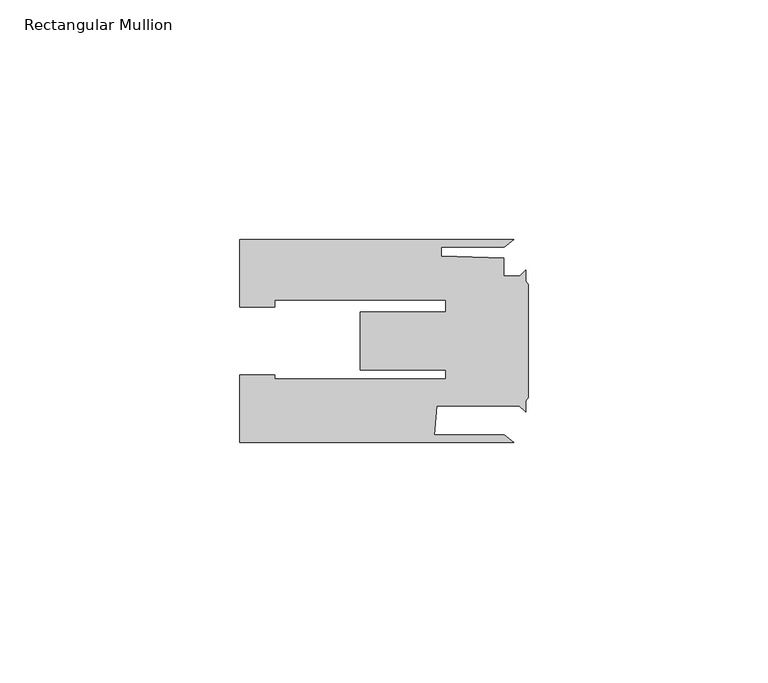
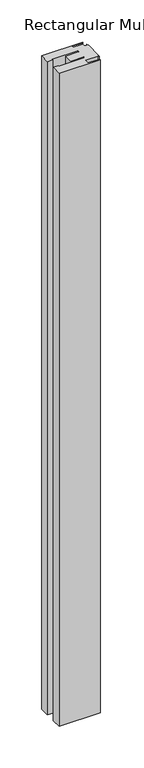
"""IFC4 building model written with IfcOpenShell, lengths in millimetres: member geometry, Rectangular Mullion."""

from ifc_helpers import new_model, si_unit, frame, origin, place, context, project, spatial, polyline, outline, extrude, source, transform, mapped, element, save


def rectangular_mullion_386d2b96(model_context):
    return source(origin(), model_context, "Body", "SweptSolid", [
        extrude(outline(polyline([(-4.9978403, -19.6), (-3.0070335, -21.1001806), (-60.0000904, -21.1001806), (-60.0000904, -7.1002443), (-52.8000904, -7.1002443), (-52.8000904, -7.9321779), (-17.1741363, -7.9321779), (-17.1741363, -5.9999784), (-35.0, -5.9999784), (-35.0, 6.0000216), (-17.1741363, 6.0000216), (-17.1741363, 8.4998194), (-52.8000904, 8.4998194), (-52.8000904, 7.100122), (-60.0000904, 7.100122), (-60.0000904, 21.0998194), (-3.0009095, 21.0998194), (-4.9914767, 19.5998194), (-18.0673388, 19.5998194), (-18.0673388, 17.7540666), (-5.0673388, 17.2543129), (-5.0673388, 13.4993684), (-1.7475919, 13.4993684), (-0.4974673, 14.749493), (-0.4974673, 12.4556178), (0.0, 11.7495144), (0.0, -11.7503396), (-0.4974673, -12.4565458), (-0.4974673, -14.7781339), (-1.7752616, -13.5003396), (-19.0000553, -13.5003396), (-19.5000405, -19.6), (-4.9978403, -19.6)])), frame((0.0, 0.0, -960.0), z_axis=(0.0, 0.0, 1.0), x_axis=(1.0, 0.0, 0.0)), (0.0, 0.0, 1.0), 960.0),
    ])


if __name__ == "__main__":
    model = new_model("IFC4")
    model_context = context("Model", 3, world=origin())
    ifc_project = project(units=[si_unit("LENGTHUNIT", "METRE", prefix="MILLI")], contexts=[model_context])
    site = spatial("IfcSite", under=ifc_project)
    building = spatial("IfcBuilding", under=site)
    placement = place(None, origin())
    rectangular_mullion_shape = rectangular_mullion_386d2b96(model_context)
    element("IfcMember", 1, ObjectType="Rectangular Mullion", at=placement, inside=building, context=model_context, shape_type="MappedRepresentation", body=[
        mapped(rectangular_mullion_shape, transform((0.0, 0.0, 0.0), x_axis=(1.0, 0.0, 0.0), y_axis=(0.0, 1.0, 0.0), z_axis=(0.0, 0.0, 1.0))),
    ])
    save(model, "model.ifc")
